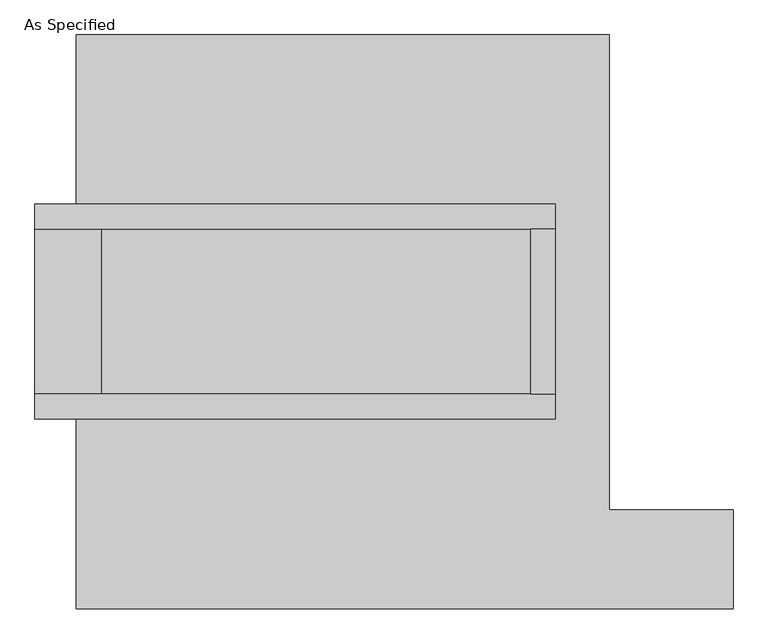
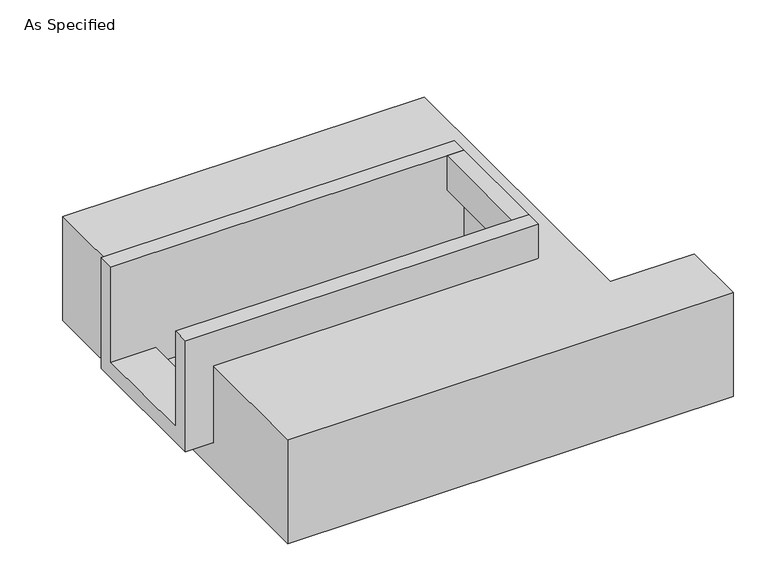
"""IFC4 building model written with IfcOpenShell, lengths in millimetres: proxy geometry, As Specified."""

from ifc_helpers import new_model, si_unit, frame, origin, place, context, project, spatial, polyline, outline, extrude, faceted_brep, source, transform, mapped, element, save


def as_specified_5d425649(model_context):
    return source(origin(), model_context, "Body", "SolidModel", [
        extrude(outline(polyline([(577.85, 285.75), (654.05, 285.75), (654.05, -222.25), (577.85, -222.25), (577.85, 285.75)])), frame((0.0, 0.0, -25.4), z_axis=(0.0, 0.0, 1.0), x_axis=(1.0, 0.0, 0.0)), (0.0, 0.0, 1.0), 165.1),
        faceted_brep([(654.05, 285.75, 139.7), (654.05, 285.75, -317.5), (654.05, -222.25, -317.5), (654.05, -222.25, 139.7), (654.05, -298.45, 139.7), (654.05, -298.45, -393.7), (654.05, 361.95, -393.7), (654.05, 361.95, 139.7), (-946.15, 285.75, 139.7), (-946.15, 361.95, 139.7), (-946.15, 361.95, -393.7), (-946.15, -298.45, -393.7), (-946.15, -298.45, 139.7), (-946.15, -222.25, 139.7), (-946.15, -222.25, -317.5), (-946.15, 285.75, -317.5), (-742.95, 285.75, -393.7), (-742.95, -222.25, -393.7), (577.85, -222.25, -393.7), (577.85, 285.75, -393.7), (577.85, -222.25, -317.5), (-742.95, -222.25, -317.5), (577.85, 285.75, -317.5), (-742.95, 285.75, -317.5)], [[[0, 1, 2, 3, 4, 5, 6, 7]], [[8, 9, 10, 11, 12, 13, 14, 15]], [[0, 7, 9, 8]], [[7, 6, 10, 9]], [[6, 5, 11, 10], [16, 17, 18, 19]], [[4, 3, 13, 12]], [[3, 2, 20, 18, 17, 21, 14, 13]], [[2, 1, 22, 20]], [[15, 14, 21, 23]], [[1, 0, 8, 15, 23, 16, 19, 22]], [[21, 17, 16, 23]], [[18, 20, 22, 19]], [[5, 4, 12, 11]]]),
        faceted_brep([(-819.15, 882.65, -523.9742188), (819.15, 882.65, -523.9742188), (819.15, -577.85, -523.9742188), (1200.15, -577.85, -523.9742188), (1200.15, -882.65, -523.9742188), (-819.15, -882.65, -523.9742188), (819.15, 882.65, -25.4), (-819.15, 882.65, -25.4), (-819.15, 361.95, -25.4), (654.05, 361.95, -25.4), (654.05, -298.45, -25.4), (-819.15, -298.45, -25.4), (-819.15, -882.65, -25.4), (1200.15, -882.65, -25.4), (1200.15, -577.85, -25.4), (819.15, -577.85, -25.4), (-819.15, -298.45, -393.7), (-819.15, 361.95, -393.7), (654.05, 361.95, -393.7), (654.05, -298.45, -393.7)], [[[0, 1, 2, 3, 4, 5]], [[6, 7, 8, 9, 10, 11, 12, 13, 14, 15]], [[1, 0, 7, 6]], [[7, 0, 5, 12, 11, 16, 17, 8]], [[1, 6, 15, 2]], [[5, 4, 13, 12]], [[18, 19, 10, 9]], [[17, 18, 9, 8]], [[19, 18, 17, 16]], [[19, 16, 11, 10]], [[4, 3, 14, 13]], [[3, 2, 15, 14]]]),
    ])


if __name__ == "__main__":
    model = new_model("IFC4")
    model_context = context("Model", 3, world=origin())
    ifc_project = project(units=[si_unit("LENGTHUNIT", "METRE", prefix="MILLI")], contexts=[model_context])
    site = spatial("IfcSite", under=ifc_project)
    building = spatial("IfcBuilding", under=site)
    placement = place(None, origin())
    as_specified_shape = as_specified_5d425649(model_context)
    element("IfcBuildingElementProxy", 1, Name="As Specified", ObjectType="As Specified", at=placement, inside=building, context=model_context, shape_type="MappedRepresentation", body=[
        mapped(as_specified_shape, transform((0.0, 0.0, 0.0), x_axis=(1.0, 0.0, 0.0), y_axis=(0.0, 1.0, 0.0), z_axis=(0.0, 0.0, 1.0))),
    ])
    save(model, "model.ifc")
